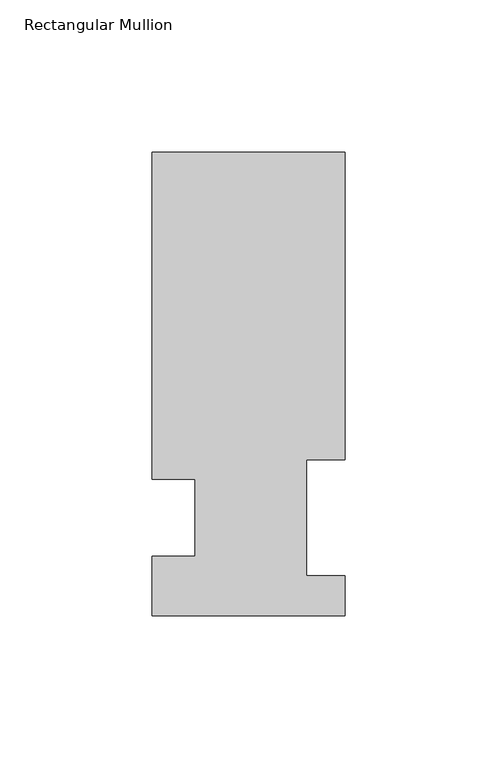
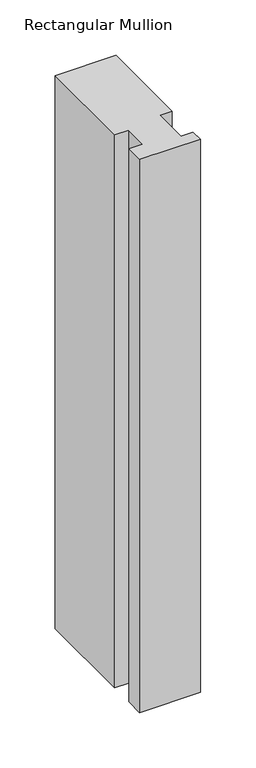
"""IFC4 building model written with IfcOpenShell, lengths in millimetres: member geometry, Rectangular Mullion."""

from ifc_helpers import new_model, si_unit, frame, origin, place, context, project, spatial, polyline, outline, extrude, source, transform, mapped, element, save


def rectangular_mullion_f3832220(model_context):
    return source(origin(), model_context, "Body", "SweptSolid", [
        extrude(outline(polyline([(-63.5, 152.4896938), (0.0, 152.4896938), (0.0, 51.2960937), (-12.6873, 51.2960938), (-12.6873, 13.1960938), (0.0, 13.1960938), (0.0, 0.0134938), (-63.5, 0.0134938), (-63.5, 19.5460938), (-49.2125, 19.5460938), (-49.2125, 44.9460938), (-63.5, 44.9460938), (-63.5, 152.4896938)])), frame((0.0, 0.0, -609.6), z_axis=(0.0, 0.0, 1.0), x_axis=(1.0, 0.0, 0.0)), (0.0, 0.0, 1.0), 609.6),
    ])


if __name__ == "__main__":
    model = new_model("IFC4")
    model_context = context("Model", 3, world=origin())
    ifc_project = project(units=[si_unit("LENGTHUNIT", "METRE", prefix="MILLI")], contexts=[model_context])
    site = spatial("IfcSite", under=ifc_project)
    building = spatial("IfcBuilding", under=site)
    placement = place(None, origin())
    rectangular_mullion_shape = rectangular_mullion_f3832220(model_context)
    element("IfcMember", 1, ObjectType="Rectangular Mullion", at=placement, inside=building, context=model_context, shape_type="MappedRepresentation", body=[
        mapped(rectangular_mullion_shape, transform((0.0, 0.0, 0.0), x_axis=(1.0, 0.0, 0.0), y_axis=(0.0, 1.0, 0.0), z_axis=(0.0, 0.0, 1.0))),
    ])
    save(model, "model.ifc")
